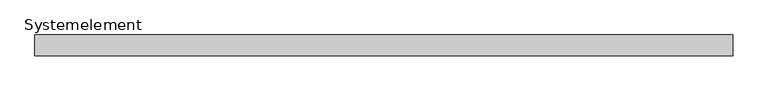
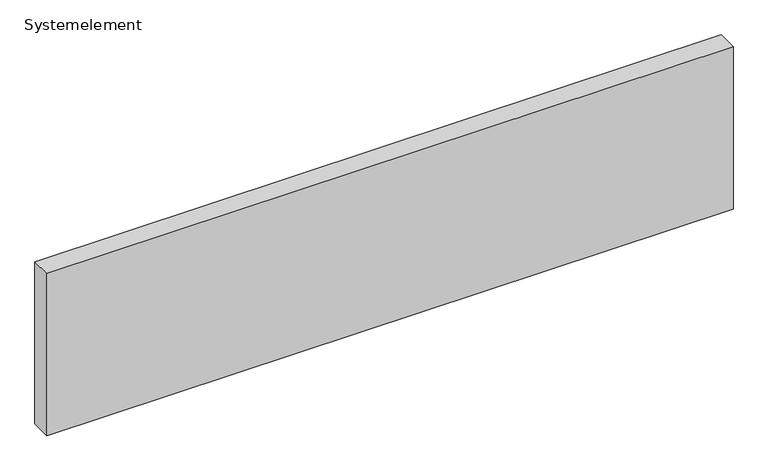
"""IFC4 building model written with IfcOpenShell, lengths in millimetres: plate geometry, Systemelement."""

from ifc_helpers import new_model, si_unit, origin, origin_with_axes, place, context, project, spatial, polyline, outline, extrude, source, transform, mapped, element, save


def systemelement_b45b511d(model_context):
    return source(origin(), model_context, "Body", "SweptSolid", [
        extrude(outline(polyline([(2000.0, -120.0), (-2000.0, -120.0), (-2000.0, 0.0), (2000.0, 0.0), (2000.0, -120.0)])), origin_with_axes(), (0.0, 0.0, 1.0), 1000.0),
    ])


if __name__ == "__main__":
    model = new_model("IFC4")
    model_context = context("Model", 3, world=origin())
    ifc_project = project(units=[si_unit("LENGTHUNIT", "METRE", prefix="MILLI")], contexts=[model_context])
    site = spatial("IfcSite", under=ifc_project)
    building = spatial("IfcBuilding", under=site)
    placement = place(None, origin())
    systemelement_shape = systemelement_b45b511d(model_context)
    element("IfcPlate", 1, ObjectType="Systemelement", at=placement, inside=building, context=model_context, shape_type="MappedRepresentation", body=[
        mapped(systemelement_shape, transform((0.0, 0.0, 0.0), x_axis=(1.0, 0.0, 0.0), y_axis=(0.0, 1.0, 0.0), z_axis=(0.0, 0.0, 1.0))),
    ])
    save(model, "model.ifc")
